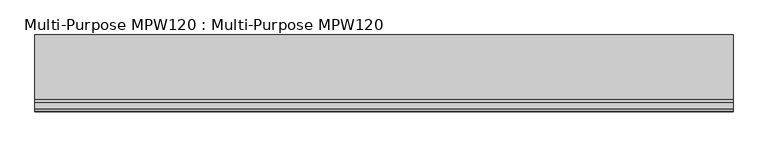
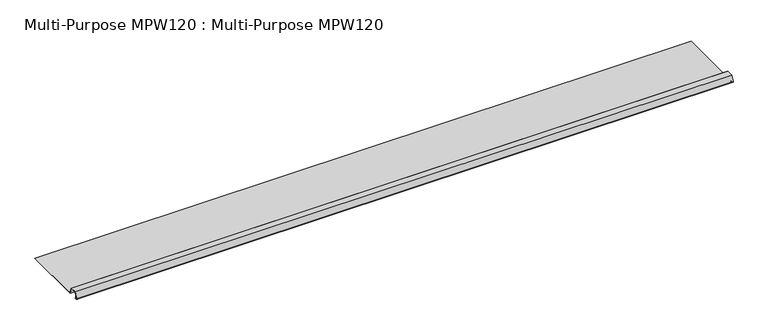
"""IFC4 building model written with IfcOpenShell, lengths in millimetres: proxy geometry, Multi-Purpose MPW120 : Multi-Purpose MPW120."""

from ifc_helpers import new_model, si_unit, point, frame, frame_2d, origin, place, context, project, spatial, polyline, circle_curve, trimmed, segment, composite_curve, outline, extrude, source, transform, mapped, element, save


def multi_purpose_mpw120_multi_purpose_mpw120_303de143(model_context):
    return source(origin(), model_context, "Body", "SweptSolid", [
        extrude(outline(composite_curve([segment(polyline([(-222.3265451, 91.0710356), (-222.8608597, 90.4585393), (-223.7419642, 91.2271757)]), True, "CONTINUOUS"), segment(trimmed(circle_curve(frame_2d((-225.0401817, 89.7390011)), 1.97485), [point((-223.7419642, 91.2271757))], [point((-226.1299369, 91.3859577))], True, "CARTESIAN"), True, "CONTINUOUS"), segment(polyline([(-226.1299369, 91.3859577), (-228.9331683, 89.5311209)]), True, "CONTINUOUS"), segment(trimmed(circle_curve(frame_2d((-230.2471817, 91.5170011)), 2.38125), [point((-228.9331683, 89.5311209))], [point((-232.4848248, 92.3314365))], False, "CARTESIAN"), True, "CONTINUOUS"), segment(polyline([(-232.4848248, 92.3314365), (-222.3877392, 120.0729511), (-190.6377392, 120.0729511), (-179.3775193, 89.1357511), (102.6515683, 89.1357511), (102.6515683, 88.3229511), (-179.946648, 88.3229511), (-191.2068679, 119.2601511), (-221.8186106, 119.2601511), (-231.7210426, 92.0534426)]), True, "CONTINUOUS"), segment(trimmed(circle_curve(frame_2d((-230.2471817, 91.5170011)), 1.56845), [point((-231.7210426, 92.0534426))], [point((-229.3816849, 90.208968))], True, "CARTESIAN"), True, "CONTINUOUS"), segment(polyline([(-229.3816849, 90.208968), (-226.5784535, 92.0638048)]), True, "CONTINUOUS"), segment(trimmed(circle_curve(frame_2d((-225.0401817, 89.7390011)), 2.78765), [point((-226.5784535, 92.0638048))], [point((-223.2076496, 91.8396721))], False, "CARTESIAN"), True, "CONTINUOUS"), segment(polyline([(-223.2076496, 91.8396721), (-222.3265451, 91.0710356)]), True, "CONTINUOUS")], self_intersect=False)), frame((-1102.2989423, 0.0, 0.0), z_axis=(1.0, 0.0, 0.0), x_axis=(0.0, 1.0, 0.0)), (0.0, 0.0, 1.0), 3048.0),
    ])


if __name__ == "__main__":
    model = new_model("IFC4")
    model_context = context("Model", 3, world=origin())
    ifc_project = project(units=[si_unit("LENGTHUNIT", "METRE", prefix="MILLI")], contexts=[model_context])
    site = spatial("IfcSite", under=ifc_project)
    building = spatial("IfcBuilding", under=site)
    placement = place(None, origin())
    multi_purpose_mpw120_multi_purpose_mpw120_shape = multi_purpose_mpw120_multi_purpose_mpw120_303de143(model_context)
    element("IfcBuildingElementProxy", 1, Name="Multi-Purpose MPW120 : Multi-Purpose MPW120", ObjectType="Multi-Purpose MPW120 : Multi-Purpose MPW120", at=placement, inside=building, context=model_context, shape_type="MappedRepresentation", body=[
        mapped(multi_purpose_mpw120_multi_purpose_mpw120_shape, transform((0.0, 0.0, 0.0), x_axis=(1.0, 0.0, 0.0), y_axis=(0.0, 1.0, 0.0), z_axis=(0.0, 0.0, 1.0))),
    ])
    save(model, "model.ifc")
